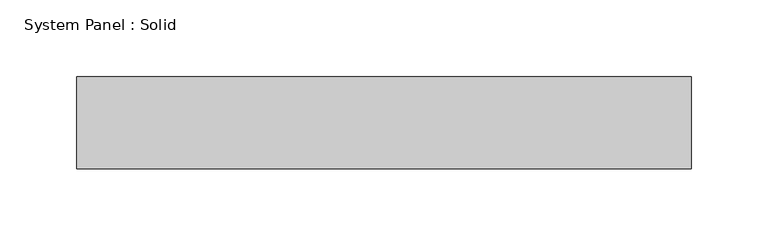
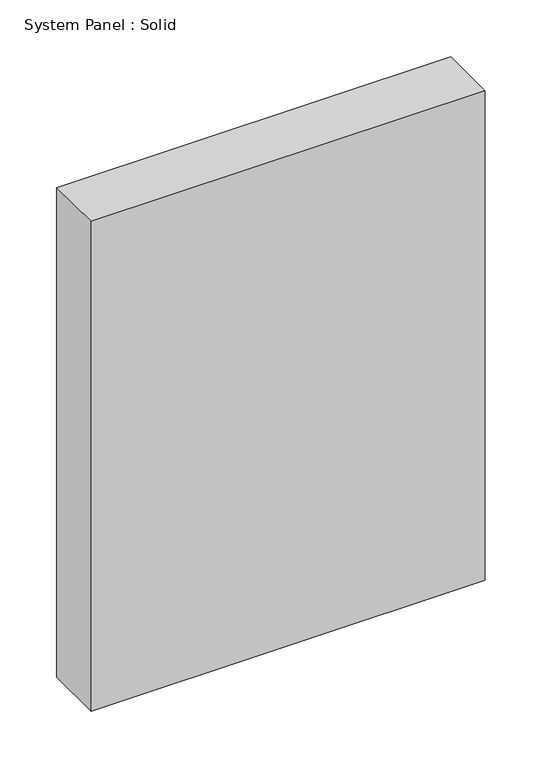
"""IFC4 building model written with IfcOpenShell, lengths in millimetres: plate geometry, System Panel : Solid."""

from ifc_helpers import new_model, si_unit, origin, origin_with_axes, place, context, project, spatial, polyline, outline, extrude, source, transform, mapped, element, save


def system_panel_solid_2beb269b(model_context):
    return source(origin(), model_context, "Body", "SweptSolid", [
        extrude(outline(polyline([(200.0, -49.5), (-200.0, -49.5), (-200.0, 10.5), (200.0, 10.5), (200.0, -49.5)])), origin_with_axes(), (0.0, 0.0, 1.0), 525.0),
    ])


if __name__ == "__main__":
    model = new_model("IFC4")
    model_context = context("Model", 3, world=origin())
    ifc_project = project(units=[si_unit("LENGTHUNIT", "METRE", prefix="MILLI")], contexts=[model_context])
    site = spatial("IfcSite", under=ifc_project)
    building = spatial("IfcBuilding", under=site)
    placement = place(None, origin())
    system_panel_solid_shape = system_panel_solid_2beb269b(model_context)
    element("IfcPlate", 1, ObjectType="System Panel : Solid", at=placement, inside=building, context=model_context, shape_type="MappedRepresentation", body=[
        mapped(system_panel_solid_shape, transform((0.0, 0.0, 0.0), x_axis=(1.0, 0.0, 0.0), y_axis=(0.0, 1.0, 0.0), z_axis=(0.0, 0.0, 1.0))),
    ])
    save(model, "model.ifc")
